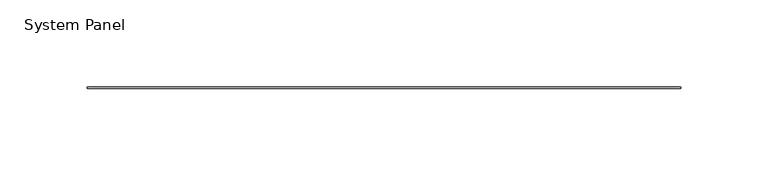
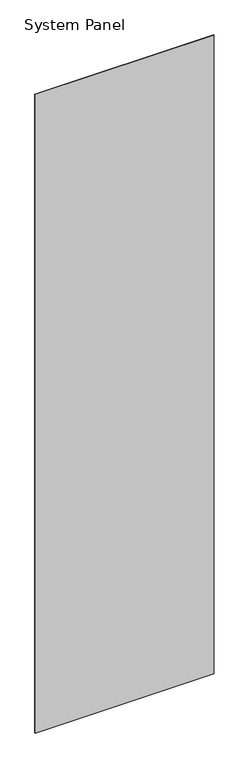
"""IFC4 building model written with IfcOpenShell, lengths in millimetres: plate geometry, System Panel."""

from ifc_helpers import new_model, si_unit, origin, origin_with_axes, place, context, project, spatial, polyline, outline, extrude, source, transform, mapped, element, save


def system_panel_a445af61(model_context):
    return source(origin(), model_context, "Body", "SweptSolid", [
        extrude(outline(polyline([(170.1165, -0.396875), (-170.1165, -0.396875), (-170.1165, 0.396875), (170.1165, 0.396875), (170.1165, -0.396875)])), origin_with_axes(), (0.0, 0.0, 1.0), 1285.875),
    ])


if __name__ == "__main__":
    model = new_model("IFC4")
    model_context = context("Model", 3, world=origin())
    ifc_project = project(units=[si_unit("LENGTHUNIT", "METRE", prefix="MILLI")], contexts=[model_context])
    site = spatial("IfcSite", under=ifc_project)
    building = spatial("IfcBuilding", under=site)
    placement = place(None, origin())
    system_panel_shape = system_panel_a445af61(model_context)
    element("IfcPlate", 1, ObjectType="System Panel", at=placement, inside=building, context=model_context, shape_type="MappedRepresentation", body=[
        mapped(system_panel_shape, transform((0.0, 0.0, 0.0), x_axis=(1.0, 0.0, 0.0), y_axis=(0.0, 1.0, 0.0), z_axis=(0.0, 0.0, 1.0))),
    ])
    save(model, "model.ifc")
